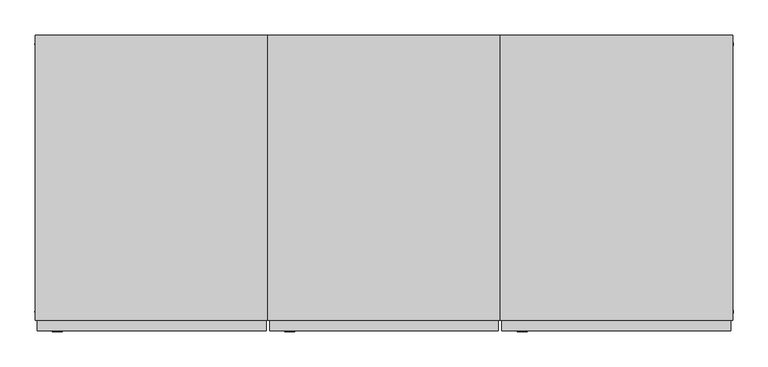
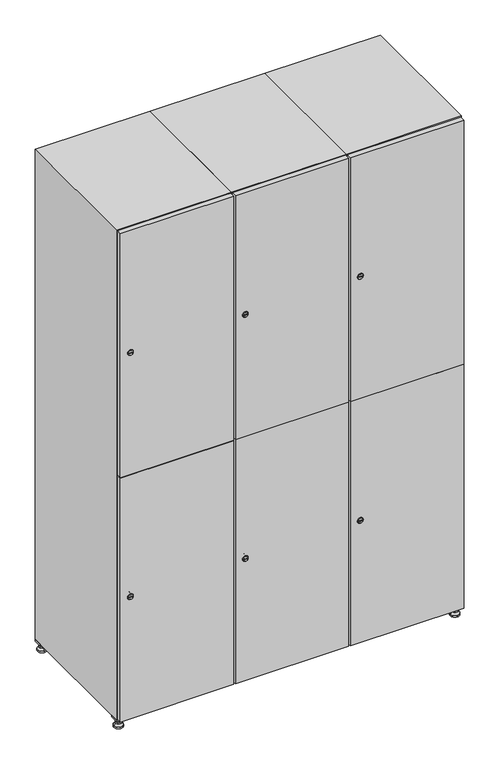
"""IFC4 building model written with IfcOpenShell, lengths in millimetres: furniture geometry."""

from ifc_helpers import new_model, si_unit, point, frame, frame_2d, origin, origin_with_axes, place, context, project, spatial, polyline, circle_curve, trimmed, segment, composite_curve, outline, extrude, faceted_brep, source, transform, mapped, element, save
from ifc_brep_helpers import plane_surface, revolved_surface, advanced_brep


def furniture_7798cbb1(model_context):
    return source(origin(), model_context, "Body", "SolidModel", [
        extrude(outline(polyline([(1000.0, 245.0), (1000.0, 215.0), (970.0, 215.0), (970.0, 245.0), (1000.0, 245.0)]), holes=[polyline([(998.0, 243.0), (972.0, 243.0), (972.0, 217.0), (998.0, 217.0), (998.0, 243.0)])]), frame((0.0, 0.0, 28.5), z_axis=(0.0, 0.0, 1.0), x_axis=(1.0, 0.0, 0.0)), (0.0, 0.0, 1.0), 6.5),
        extrude(outline(polyline([(970.0, -245.0), (970.0, -215.0), (1000.0, -215.0), (1000.0, -245.0), (970.0, -245.0)]), holes=[polyline([(972.0, -243.0), (998.0, -243.0), (998.0, -217.0), (972.0, -217.0), (972.0, -243.0)])]), frame((0.0, 0.0, 28.5), z_axis=(0.0, 0.0, 1.0), x_axis=(1.0, 0.0, 0.0)), (0.0, 0.0, 1.0), 6.5),
        extrude(outline(polyline([(-170.0, 245.0), (-170.0, 215.0), (-200.0, 215.0), (-200.0, 245.0), (-170.0, 245.0)]), holes=[polyline([(-172.0, 243.0), (-198.0, 243.0), (-198.0, 217.0), (-172.0, 217.0), (-172.0, 243.0)])]), frame((0.0, 0.0, 28.5), z_axis=(0.0, 0.0, 1.0), x_axis=(1.0, 0.0, 0.0)), (0.0, 0.0, 1.0), 6.5),
        extrude(outline(polyline([(-170.0, -215.0), (-170.0, -245.0), (-200.0, -245.0), (-200.0, -215.0), (-170.0, -215.0)]), holes=[polyline([(-198.0, -243.0), (-172.0, -243.0), (-172.0, -217.0), (-198.0, -217.0), (-198.0, -243.0)])]), frame((0.0, 0.0, 28.5), z_axis=(0.0, 0.0, 1.0), x_axis=(1.0, 0.0, 0.0)), (0.0, 0.0, 1.0), 6.5),
        extrude(outline(composite_curve([segment(trimmed(circle_curve(frame_2d((-185.0, 230.0)), 5.0), [point((-180.0, 230.0))], [point((-190.0, 230.0))], False, "CARTESIAN"), True, "CONTINUOUS"), segment(trimmed(circle_curve(frame_2d((-185.0, 230.0)), 5.0), [point((-190.0, 230.0))], [point((-180.0, 230.0))], False, "CARTESIAN"), True, "CONTINUOUS")], self_intersect=False)), frame((0.0, 0.0, 19.6), z_axis=(0.0, 0.0, 1.0), x_axis=(1.0, 0.0, 0.0)), (0.0, 0.0, 1.0), 15.4),
        extrude(outline(composite_curve([segment(trimmed(circle_curve(frame_2d((-185.0, -230.0)), 5.0), [point((-180.0, -230.0))], [point((-190.0, -230.0))], False, "CARTESIAN"), True, "CONTINUOUS"), segment(trimmed(circle_curve(frame_2d((-185.0, -230.0)), 5.0), [point((-190.0, -230.0))], [point((-180.0, -230.0))], False, "CARTESIAN"), True, "CONTINUOUS")], self_intersect=False)), frame((0.0, 0.0, 19.6), z_axis=(0.0, 0.0, 1.0), x_axis=(1.0, 0.0, 0.0)), (0.0, 0.0, 1.0), 15.4),
        extrude(outline(composite_curve([segment(trimmed(circle_curve(frame_2d((985.0, 230.0)), 5.0), [point((990.0, 230.0))], [point((980.0, 230.0))], False, "CARTESIAN"), True, "CONTINUOUS"), segment(trimmed(circle_curve(frame_2d((985.0, 230.0)), 5.0), [point((980.0, 230.0))], [point((990.0, 230.0))], False, "CARTESIAN"), True, "CONTINUOUS")], self_intersect=False)), frame((0.0, 0.0, 19.6), z_axis=(0.0, 0.0, 1.0), x_axis=(1.0, 0.0, 0.0)), (0.0, 0.0, 1.0), 15.4),
        extrude(outline(polyline([(973.4529946, 230.0), (979.2264973, 240.0), (990.7735027, 240.0), (996.5470054, 230.0), (990.7735027, 220.0), (979.2264973, 220.0), (973.4529946, 230.0)])), frame((0.0, 0.0, 13.6), z_axis=(0.0, 0.0, 1.0), x_axis=(1.0, 0.0, 0.0)), (0.0, 0.0, 1.0), 6.0),
        extrude(outline(composite_curve([segment(trimmed(circle_curve(frame_2d((985.0, -230.0)), 5.0), [point((990.0, -230.0))], [point((980.0, -230.0))], False, "CARTESIAN"), True, "CONTINUOUS"), segment(trimmed(circle_curve(frame_2d((985.0, -230.0)), 5.0), [point((980.0, -230.0))], [point((990.0, -230.0))], False, "CARTESIAN"), True, "CONTINUOUS")], self_intersect=False)), frame((0.0, 0.0, 19.6), z_axis=(0.0, 0.0, 1.0), x_axis=(1.0, 0.0, 0.0)), (0.0, 0.0, 1.0), 15.4),
        extrude(outline(polyline([(973.4529946, -230.0), (979.2264973, -220.0), (990.7735027, -220.0), (996.5470054, -230.0), (990.7735027, -240.0), (979.2264973, -240.0), (973.4529946, -230.0)])), frame((0.0, 0.0, 13.6), z_axis=(0.0, 0.0, 1.0), x_axis=(1.0, 0.0, 0.0)), (0.0, 0.0, 1.0), 6.0),
        extrude(outline(composite_curve([segment(trimmed(circle_curve(frame_2d((985.0, 230.0)), 5.0), [point((990.0, 230.0))], [point((980.0, 230.0))], False, "CARTESIAN"), True, "CONTINUOUS"), segment(trimmed(circle_curve(frame_2d((985.0, 230.0)), 5.0), [point((980.0, 230.0))], [point((990.0, 230.0))], False, "CARTESIAN"), True, "CONTINUOUS")], self_intersect=False)), frame((0.0, 0.0, 12.1), z_axis=(0.0, 0.0, 1.0), x_axis=(1.0, 0.0, 0.0)), (0.0, 0.0, 1.0), 1.5),
        extrude(outline(composite_curve([segment(trimmed(circle_curve(frame_2d((985.0, -230.0)), 5.0), [point((990.0, -230.0))], [point((980.0, -230.0))], False, "CARTESIAN"), True, "CONTINUOUS"), segment(trimmed(circle_curve(frame_2d((985.0, -230.0)), 5.0), [point((980.0, -230.0))], [point((990.0, -230.0))], False, "CARTESIAN"), True, "CONTINUOUS")], self_intersect=False)), frame((0.0, 0.0, 12.1), z_axis=(0.0, 0.0, 1.0), x_axis=(1.0, 0.0, 0.0)), (0.0, 0.0, 1.0), 1.5),
        extrude(outline(polyline([(-196.5470054, 230.0), (-190.7735027, 240.0), (-179.2264973, 240.0), (-173.4529946, 230.0), (-179.2264973, 220.0), (-190.7735027, 220.0), (-196.5470054, 230.0)])), frame((0.0, 0.0, 13.6), z_axis=(0.0, 0.0, 1.0), x_axis=(1.0, 0.0, 0.0)), (0.0, 0.0, 1.0), 6.0),
        extrude(outline(polyline([(-196.5470054, -230.0), (-190.7735027, -220.0), (-179.2264973, -220.0), (-173.4529946, -230.0), (-179.2264973, -240.0), (-190.7735027, -240.0), (-196.5470054, -230.0)])), frame((0.0, 0.0, 13.6), z_axis=(0.0, 0.0, 1.0), x_axis=(1.0, 0.0, 0.0)), (0.0, 0.0, 1.0), 6.0),
        extrude(outline(composite_curve([segment(trimmed(circle_curve(frame_2d((-185.0, 230.0)), 5.0), [point((-185.0, 235.0))], [point((-185.0, 225.0))], False, "CARTESIAN"), True, "CONTINUOUS"), segment(trimmed(circle_curve(frame_2d((-185.0, 230.0)), 5.0), [point((-185.0, 225.0))], [point((-185.0, 235.0))], False, "CARTESIAN"), True, "CONTINUOUS")], self_intersect=False)), frame((0.0, 0.0, 12.1), z_axis=(0.0, 0.0, 1.0), x_axis=(1.0, 0.0, 0.0)), (0.0, 0.0, 1.0), 1.5),
        extrude(outline(composite_curve([segment(trimmed(circle_curve(frame_2d((-185.0, -230.0)), 5.0), [point((-180.0, -230.0))], [point((-190.0, -230.0))], False, "CARTESIAN"), True, "CONTINUOUS"), segment(trimmed(circle_curve(frame_2d((-185.0, -230.0)), 5.0), [point((-190.0, -230.0))], [point((-180.0, -230.0))], False, "CARTESIAN"), True, "CONTINUOUS")], self_intersect=False)), frame((0.0, 0.0, 12.1), z_axis=(0.0, 0.0, 1.0), x_axis=(1.0, 0.0, 0.0)), (0.0, 0.0, 1.0), 1.5),
        extrude(outline(composite_curve([segment(trimmed(circle_curve(frame_2d((985.0, 230.0)), 15.75), [point((1000.75, 230.0))], [point((969.25, 230.0))], False, "CARTESIAN"), True, "CONTINUOUS"), segment(trimmed(circle_curve(frame_2d((985.0, 230.0)), 15.75), [point((969.25, 230.0))], [point((1000.75, 230.0))], False, "CARTESIAN"), True, "CONTINUOUS")], self_intersect=False)), origin_with_axes(), (0.0, 0.0, 1.0), 5.1),
        extrude(outline(composite_curve([segment(trimmed(circle_curve(frame_2d((985.0, -230.0)), 15.75), [point((985.0, -214.25))], [point((985.0, -245.75))], False, "CARTESIAN"), True, "CONTINUOUS"), segment(trimmed(circle_curve(frame_2d((985.0, -230.0)), 15.75), [point((985.0, -245.75))], [point((985.0, -214.25))], False, "CARTESIAN"), True, "CONTINUOUS")], self_intersect=False)), origin_with_axes(), (0.0, 0.0, 1.0), 5.1),
        extrude(outline(composite_curve([segment(trimmed(circle_curve(frame_2d((-185.0, -230.0)), 15.75), [point((-169.25, -230.0))], [point((-200.75, -230.0))], False, "CARTESIAN"), True, "CONTINUOUS"), segment(trimmed(circle_curve(frame_2d((-185.0, -230.0)), 15.75), [point((-200.75, -230.0))], [point((-169.25, -230.0))], False, "CARTESIAN"), True, "CONTINUOUS")], self_intersect=False)), origin_with_axes(), (0.0, 0.0, 1.0), 5.1),
        extrude(outline(composite_curve([segment(trimmed(circle_curve(frame_2d((-185.0, 230.0)), 15.75), [point((-169.25, 230.0))], [point((-200.75, 230.0))], False, "CARTESIAN"), True, "CONTINUOUS"), segment(trimmed(circle_curve(frame_2d((-185.0, 230.0)), 15.75), [point((-200.75, 230.0))], [point((-169.25, 230.0))], False, "CARTESIAN"), True, "CONTINUOUS")], self_intersect=False)), origin_with_axes(), (0.0, 0.0, 1.0), 5.1),
        advanced_brep(
        [(-185.0, 239.5, 12.1), (-185.0, 220.5, 12.1), (-185.0, 214.25, 5.1), (-185.0, 245.75, 5.1)],
        [
            (0, 1, circle_curve(frame((-185.0, 230.0, 12.1), z_axis=(0.0, 0.0, -1.0), x_axis=(0.0, 1.0, 0.0)), 9.5)),
            (1, 2),
            (2, 3, circle_curve(frame((-185.0, 230.0, 5.1), z_axis=(0.0, 0.0, 1.0), x_axis=(0.0, 1.0, 0.0)), 15.75)),
            (3, 0),
            (1, 0, circle_curve(frame((-185.0, 230.0, 12.1), z_axis=(0.0, 0.0, -1.0), x_axis=(0.0, -1.0, 0.0)), 9.5)),
            (3, 2, circle_curve(frame((-185.0, 230.0, 5.1), z_axis=(0.0, 0.0, 1.0), x_axis=(0.0, -1.0, 0.0)), 15.75)),
        ],
        [
            revolved_surface(polyline([(-185.0, 220.5, 12.099999999999998), (-185.0, 214.25, 5.099999999999998)]), (-185.0, 230.0, 22.74), (0.0, 0.0, -1.0)),
            revolved_surface(polyline([(-185.0, 239.5, 12.099999999999998), (-185.0, 245.75, 5.099999999999998)]), (-185.0, 230.0, 22.74), (0.0, 0.0, -1.0)),
            plane_surface(frame((-185.0, 230.0, 5.1), z_axis=(0.0, 0.0, -1.0), x_axis=(1.0, 0.0, 0.0))),
            plane_surface(frame((-185.0, 230.0, 12.1), z_axis=(0.0, 0.0, 1.0), x_axis=(1.0, 0.0, 0.0))),
        ],
        [
            (0, [[1, 2, 3, 4]]),
            (1, [[5, -4, 6, -2]]),
            (2, [[-3, -6]]),
            (3, [[-5, -1]]),
        ],
    ),
        advanced_brep(
        [(985.0, 239.5, 12.1), (985.0, 220.5, 12.1), (985.0, 214.25, 5.1), (985.0, 245.75, 5.1)],
        [
            (0, 1, circle_curve(frame((985.0, 230.0, 12.1), z_axis=(0.0, 0.0, -1.0), x_axis=(0.0, 1.0, 0.0)), 9.5)),
            (1, 2),
            (2, 3, circle_curve(frame((985.0, 230.0, 5.1), z_axis=(0.0, 0.0, 1.0), x_axis=(0.0, 1.0, 0.0)), 15.75)),
            (3, 0),
            (1, 0, circle_curve(frame((985.0, 230.0, 12.1), z_axis=(0.0, 0.0, -1.0), x_axis=(0.0, -1.0, 0.0)), 9.5)),
            (3, 2, circle_curve(frame((985.0, 230.0, 5.1), z_axis=(0.0, 0.0, 1.0), x_axis=(0.0, -1.0, 0.0)), 15.75)),
        ],
        [
            revolved_surface(polyline([(985.0, 220.5, 12.099999999999998), (985.0, 214.25, 5.099999999999998)]), (985.0, 230.0, 22.74), (0.0, 0.0, -1.0)),
            revolved_surface(polyline([(985.0, 239.5, 12.099999999999998), (985.0, 245.75, 5.099999999999998)]), (985.0, 230.0, 22.74), (0.0, 0.0, -1.0)),
            plane_surface(frame((985.0, 230.0, 5.1), z_axis=(0.0, 0.0, -1.0), x_axis=(1.0, 0.0, 0.0))),
            plane_surface(frame((985.0, 230.0, 12.1), z_axis=(0.0, 0.0, 1.0), x_axis=(1.0, 0.0, 0.0))),
        ],
        [
            (0, [[1, 2, 3, 4]]),
            (1, [[5, -4, 6, -2]]),
            (2, [[-3, -6]]),
            (3, [[-5, -1]]),
        ],
    ),
        advanced_brep(
        [(1000.75, -230.0, 5.1), (969.25, -230.0, 5.1), (975.5, -230.0, 12.1), (994.5, -230.0, 12.1)],
        [
            (0, 1, circle_curve(frame((985.0, -230.0, 5.1), z_axis=(0.0, 0.0, 1.0), x_axis=(1.0, 0.0, 0.0)), 15.75)),
            (1, 2),
            (2, 3, circle_curve(frame((985.0, -230.0, 12.1), z_axis=(0.0, 0.0, -1.0), x_axis=(1.0, 0.0, 0.0)), 9.5)),
            (3, 0),
            (1, 0, circle_curve(frame((985.0, -230.0, 5.1), z_axis=(0.0, 0.0, 1.0), x_axis=(-1.0, 0.0, 0.0)), 15.75)),
            (3, 2, circle_curve(frame((985.0, -230.0, 12.1), z_axis=(0.0, 0.0, -1.0), x_axis=(-1.0, 0.0, 0.0)), 9.5)),
        ],
        [
            revolved_surface(polyline([(994.5, -230.0, 12.099999999999998), (1000.75, -230.0, 5.099999999999998)]), (985.0, -230.0, 22.74), (0.0, 0.0, -1.0)),
            revolved_surface(polyline([(975.5, -230.0, 12.099999999999998), (969.25, -230.0, 5.099999999999998)]), (985.0, -230.0, 22.74), (0.0, 0.0, -1.0)),
            plane_surface(frame((985.0, -230.0, 12.1), z_axis=(0.0, 0.0, 1.0), x_axis=(0.0, 1.0, 0.0))),
            plane_surface(frame((985.0, -230.0, 5.1), z_axis=(0.0, 0.0, -1.0), x_axis=(0.0, 1.0, 0.0))),
        ],
        [
            (0, [[1, 2, 3, 4]]),
            (1, [[5, -4, 6, -2]]),
            (2, [[-3, -6]]),
            (3, [[-5, -1]]),
        ],
    ),
        advanced_brep(
        [(-169.25, -230.0, 5.1), (-200.75, -230.0, 5.1), (-194.5, -230.0, 12.1), (-175.5, -230.0, 12.1)],
        [
            (0, 1, circle_curve(frame((-185.0, -230.0, 5.1), z_axis=(0.0, 0.0, 1.0), x_axis=(1.0, 0.0, 0.0)), 15.75)),
            (1, 2),
            (2, 3, circle_curve(frame((-185.0, -230.0, 12.1), z_axis=(0.0, 0.0, -1.0), x_axis=(1.0, 0.0, 0.0)), 9.5)),
            (3, 0),
            (1, 0, circle_curve(frame((-185.0, -230.0, 5.1), z_axis=(0.0, 0.0, 1.0), x_axis=(-1.0, 0.0, 0.0)), 15.75)),
            (3, 2, circle_curve(frame((-185.0, -230.0, 12.1), z_axis=(0.0, 0.0, -1.0), x_axis=(-1.0, 0.0, 0.0)), 9.5)),
        ],
        [
            revolved_surface(polyline([(-175.5, -230.0, 12.099999999999998), (-169.25, -230.0, 5.099999999999998)]), (-185.0, -230.0, 22.74), (0.0, 0.0, -1.0)),
            revolved_surface(polyline([(-194.5, -230.0, 12.099999999999998), (-200.75, -230.0, 5.099999999999998)]), (-185.0, -230.0, 22.74), (0.0, 0.0, -1.0)),
            plane_surface(frame((-185.0, -230.0, 12.1), z_axis=(0.0, 0.0, 1.0), x_axis=(0.0, 1.0, 0.0))),
            plane_surface(frame((-185.0, -230.0, 5.1), z_axis=(0.0, 0.0, -1.0), x_axis=(0.0, 1.0, 0.0))),
        ],
        [
            (0, [[1, 2, 3, 4]]),
            (1, [[5, -4, 6, -2]]),
            (2, [[-3, -6]]),
            (3, [[-5, -1]]),
        ],
    ),
        extrude(outline(composite_curve([segment(trimmed(circle_curve(frame_2d((486.5, 611.2010534)), 7.0), [point((493.5, 611.2010534))], [point((479.5, 611.2010534))], False, "CARTESIAN"), True, "CONTINUOUS"), segment(polyline([(479.5, 611.2010534), (479.5, 639.2010534)]), True, "CONTINUOUS"), segment(trimmed(circle_curve(frame_2d((486.5, 639.2010534)), 7.0), [point((479.5, 639.2010534))], [point((493.5, 639.2010534))], False, "CARTESIAN"), True, "CONTINUOUS"), segment(polyline([(493.5, 639.2010534), (493.5, 611.2010534)]), True, "CONTINUOUS")], self_intersect=False)), frame((0.0, -245.0, 0.0), z_axis=(0.0, 1.0, 0.0), x_axis=(0.0, 0.0, 1.0)), (0.0, 0.0, 1.0), 2.0),
        advanced_brep(
        [(646.5, -265.2, 486.5), (629.5, -265.2, 486.5), (633.0, -265.2, 485.25), (633.0, -265.2, 487.75), (643.0, -265.2, 487.75), (643.0, -265.2, 485.25), (648.5, -263.0, 486.5), (627.5, -263.0, 486.5), (633.0, -263.0, 487.75), (633.0, -263.0, 485.25), (643.0, -263.0, 485.25), (643.0, -263.0, 487.75)],
        [
            (0, 1, circle_curve(frame((638.0, -265.2, 486.5), z_axis=(0.0, -1.0, 0.0), x_axis=(1.0, 0.0, 0.0)), 8.5)),
            (1, 0, circle_curve(frame((638.0, -265.2, 486.5), z_axis=(0.0, -1.0, 0.0), x_axis=(-1.0, 0.0, 0.0)), 8.5)),
            (2, 3),
            (3, 4),
            (4, 5),
            (5, 2),
            (6, 7, circle_curve(frame((638.0, -263.0, 486.5), z_axis=(0.0, 1.0, 0.0), x_axis=(-1.0, 0.0, 0.0)), 10.5)),
            (7, 6, circle_curve(frame((638.0, -263.0, 486.5), z_axis=(0.0, 1.0, 0.0), x_axis=(1.0, 0.0, 0.0)), 10.5)),
            (8, 9),
            (9, 10),
            (10, 11),
            (11, 8),
            (0, 6),
            (7, 1),
            (8, 3),
            (2, 9),
            (11, 4),
            (10, 5),
        ],
        [
            plane_surface(frame((638.0, -265.2, 486.5), z_axis=(0.0, -1.0, 0.0), x_axis=(0.0, 0.0, 1.0))),
            plane_surface(frame((638.0, -263.0, 486.5), z_axis=(0.0, 1.0, 0.0), x_axis=(0.0, 0.0, 1.0))),
            revolved_surface(polyline([(646.5, -265.2, 486.5), (648.5, -263.0, 486.5)]), (638.0, -274.55, 486.5), (0.0, 1.0, 0.0)),
            revolved_surface(polyline([(629.5, -265.2, 486.5), (627.5, -263.0, 486.5)]), (638.0, -274.55, 486.5), (0.0, 1.0, 0.0)),
            plane_surface(frame((633.0, -263.0, 485.25), z_axis=(1.0, 0.0, 0.0), x_axis=(0.0, -1.0, 0.0))),
            plane_surface(frame((633.0, -263.0, 487.75), z_axis=(0.0, 0.0, -1.0), x_axis=(0.0, -1.0, 0.0))),
            plane_surface(frame((643.0, -263.0, 487.75), z_axis=(-1.0, 0.0, 0.0), x_axis=(0.0, -1.0, 0.0))),
            plane_surface(frame((643.0, -263.0, 485.25), z_axis=(0.0, 0.0, 1.0), x_axis=(0.0, -1.0, 0.0))),
        ],
        [
            (0, [[1, 2], [3, 4, 5, 6]]),
            (1, [[7, 8], [9, 10, 11, 12]]),
            (2, [[-1, 13, -8, 14]]),
            (3, [[-2, -14, -7, -13]]),
            (4, [[15, -3, 16, -9]]),
            (5, [[-15, -12, 17, -4]]),
            (6, [[-17, -11, 18, -5]]),
            (7, [[-16, -6, -18, -10]]),
        ],
    ),
        extrude(outline(composite_curve([segment(trimmed(circle_curve(frame_2d((1383.5, 611.2010534)), 7.0), [point((1390.5, 611.2010534))], [point((1376.5, 611.2010534))], False, "CARTESIAN"), True, "CONTINUOUS"), segment(polyline([(1376.5, 611.2010534), (1376.5, 639.2010534)]), True, "CONTINUOUS"), segment(trimmed(circle_curve(frame_2d((1383.5, 639.2010534)), 7.0), [point((1376.5, 639.2010534))], [point((1390.5, 639.2010534))], False, "CARTESIAN"), True, "CONTINUOUS"), segment(polyline([(1390.5, 639.2010534), (1390.5, 611.2010534)]), True, "CONTINUOUS")], self_intersect=False)), frame((0.0, -245.0, 0.0), z_axis=(0.0, 1.0, 0.0), x_axis=(0.0, 0.0, 1.0)), (0.0, 0.0, 1.0), 2.0),
        advanced_brep(
        [(646.5, -265.2, 1383.5), (629.5, -265.2, 1383.5), (633.0, -265.2, 1382.25), (633.0, -265.2, 1384.75), (643.0, -265.2, 1384.75), (643.0, -265.2, 1382.25), (648.5, -263.0, 1383.5), (627.5, -263.0, 1383.5), (633.0, -263.0, 1384.75), (633.0, -263.0, 1382.25), (643.0, -263.0, 1382.25), (643.0, -263.0, 1384.75)],
        [
            (0, 1, circle_curve(frame((638.0, -265.2, 1383.5), z_axis=(0.0, -1.0, 0.0), x_axis=(1.0, 0.0, 0.0)), 8.5)),
            (1, 0, circle_curve(frame((638.0, -265.2, 1383.5), z_axis=(0.0, -1.0, 0.0), x_axis=(-1.0, 0.0, 0.0)), 8.5)),
            (2, 3),
            (3, 4),
            (4, 5),
            (5, 2),
            (6, 7, circle_curve(frame((638.0, -263.0, 1383.5), z_axis=(0.0, 1.0, 0.0), x_axis=(-1.0, 0.0, 0.0)), 10.5)),
            (7, 6, circle_curve(frame((638.0, -263.0, 1383.5), z_axis=(0.0, 1.0, 0.0), x_axis=(1.0, 0.0, 0.0)), 10.5)),
            (8, 9),
            (9, 10),
            (10, 11),
            (11, 8),
            (0, 6),
            (7, 1),
            (8, 3),
            (2, 9),
            (11, 4),
            (10, 5),
        ],
        [
            plane_surface(frame((638.0, -265.2, 1383.5), z_axis=(0.0, -1.0, 0.0), x_axis=(0.0, 0.0, 1.0))),
            plane_surface(frame((638.0, -263.0, 1383.5), z_axis=(0.0, 1.0, 0.0), x_axis=(0.0, 0.0, 1.0))),
            revolved_surface(polyline([(646.5, -265.2, 1383.5), (648.5, -263.0, 1383.5)]), (638.0, -274.55, 1383.5), (0.0, 1.0, 0.0)),
            revolved_surface(polyline([(629.5, -265.2, 1383.5), (627.5, -263.0, 1383.5)]), (638.0, -274.55, 1383.5), (0.0, 1.0, 0.0)),
            plane_surface(frame((633.0, -263.0, 1382.25), z_axis=(1.0, 0.0, 0.0), x_axis=(0.0, -1.0, 0.0))),
            plane_surface(frame((633.0, -263.0, 1384.75), z_axis=(0.0, 0.0, -1.0), x_axis=(0.0, -1.0, 0.0))),
            plane_surface(frame((643.0, -263.0, 1384.75), z_axis=(-1.0, 0.0, 0.0), x_axis=(0.0, -1.0, 0.0))),
            plane_surface(frame((643.0, -263.0, 1382.25), z_axis=(0.0, 0.0, 1.0), x_axis=(0.0, -1.0, 0.0))),
        ],
        [
            (0, [[1, 2], [3, 4, 5, 6]]),
            (1, [[7, 8], [9, 10, 11, 12]]),
            (2, [[-1, 13, -8, 14]]),
            (3, [[-2, -14, -7, -13]]),
            (4, [[15, -3, 16, -9]]),
            (5, [[-15, -12, 17, -4]]),
            (6, [[-17, -11, 18, -5]]),
            (7, [[-16, -6, -18, -10]]),
        ],
    ),
        extrude(outline(polyline([(603.0, -263.0), (603.0, -245.0), (997.0, -245.0), (997.0, -263.0), (603.0, -263.0)])), frame((0.0, 0.0, 38.0), z_axis=(0.0, 0.0, 1.0), x_axis=(1.0, 0.0, 0.0)), (0.0, 0.0, 1.0), 896.5),
        extrude(outline(polyline([(997.0, -245.0), (997.0, -263.0), (603.0, -263.0), (603.0, -245.0), (997.0, -245.0)])), frame((0.0, 0.0, 935.5), z_axis=(0.0, 0.0, 1.0), x_axis=(1.0, 0.0, 0.0)), (0.0, 0.0, 1.0), 896.5),
        extrude(outline(polyline([(979.6, 242.0), (979.6, -227.0), (620.4, -227.0), (620.4, 242.0), (979.6, 242.0)])), frame((0.0, 0.0, 924.8), z_axis=(0.0, 0.0, 1.0), x_axis=(1.0, 0.0, 0.0)), (0.0, 0.0, 1.0), 20.4),
        faceted_brep([(1000.0, -245.0, 35.0), (1000.0, -245.0, 1835.0), (600.0, -245.0, 1835.0), (600.0, -245.0, 35.0), (979.6, -245.0, 1804.8), (979.6, -245.0, 65.2), (620.4, -245.0, 65.2), (620.4, -245.0, 1804.8), (1000.0, 245.0, 35.0), (600.0, 245.0, 35.0), (1000.0, 245.0, 1835.0), (600.0, 245.0, 1835.0), (979.6, 242.0, 1804.8), (979.6, 242.0, 65.2), (600.0, 245.0, 1804.8), (620.4, 242.0, 1804.8), (620.4, 242.0, 65.2)], [[[0, 1, 2, 3], [4, 5, 6, 7]], [[8, 0, 3, 9]], [[1, 0, 8, 10]], [[1, 10, 11, 2]], [[4, 12, 13, 5]], [[9, 3, 2, 11, 14]], [[10, 8, 9, 14, 11]], [[12, 15, 16, 13]], [[15, 7, 6, 16]], [[4, 7, 15, 12]], [[6, 5, 13, 16]]]),
        extrude(outline(composite_curve([segment(trimmed(circle_curve(frame_2d((486.5, 211.2010534)), 7.0), [point((493.5, 211.2010534))], [point((479.5, 211.2010534))], False, "CARTESIAN"), True, "CONTINUOUS"), segment(polyline([(479.5, 211.2010534), (479.5, 239.2010534)]), True, "CONTINUOUS"), segment(trimmed(circle_curve(frame_2d((486.5, 239.2010534)), 7.0), [point((479.5, 239.2010534))], [point((493.5, 239.2010534))], False, "CARTESIAN"), True, "CONTINUOUS"), segment(polyline([(493.5, 239.2010534), (493.5, 211.2010534)]), True, "CONTINUOUS")], self_intersect=False)), frame((0.0, -245.0, 0.0), z_axis=(0.0, 1.0, 0.0), x_axis=(0.0, 0.0, 1.0)), (0.0, 0.0, 1.0), 2.0),
        advanced_brep(
        [(246.5, -265.2, 486.5), (229.5, -265.2, 486.5), (233.0, -265.2, 485.25), (233.0, -265.2, 487.75), (243.0, -265.2, 487.75), (243.0, -265.2, 485.25), (248.5, -263.0, 486.5), (227.5, -263.0, 486.5), (233.0, -263.0, 487.75), (233.0, -263.0, 485.25), (243.0, -263.0, 485.25), (243.0, -263.0, 487.75)],
        [
            (0, 1, circle_curve(frame((238.0, -265.2, 486.5), z_axis=(0.0, -1.0, 0.0), x_axis=(1.0, 0.0, 0.0)), 8.5)),
            (1, 0, circle_curve(frame((238.0, -265.2, 486.5), z_axis=(0.0, -1.0, 0.0), x_axis=(-1.0, 0.0, 0.0)), 8.5)),
            (2, 3),
            (3, 4),
            (4, 5),
            (5, 2),
            (6, 7, circle_curve(frame((238.0, -263.0, 486.5), z_axis=(0.0, 1.0, 0.0), x_axis=(-1.0, 0.0, 0.0)), 10.5)),
            (7, 6, circle_curve(frame((238.0, -263.0, 486.5), z_axis=(0.0, 1.0, 0.0), x_axis=(1.0, 0.0, 0.0)), 10.5)),
            (8, 9),
            (9, 10),
            (10, 11),
            (11, 8),
            (0, 6),
            (7, 1),
            (8, 3),
            (2, 9),
            (11, 4),
            (10, 5),
        ],
        [
            plane_surface(frame((238.0, -265.2, 486.5), z_axis=(0.0, -1.0, 0.0), x_axis=(0.0, 0.0, 1.0))),
            plane_surface(frame((238.0, -263.0, 486.5), z_axis=(0.0, 1.0, 0.0), x_axis=(0.0, 0.0, 1.0))),
            revolved_surface(polyline([(246.5, -265.2, 486.5), (248.5, -263.0, 486.5)]), (238.0, -274.55, 486.5), (0.0, 1.0, 0.0)),
            revolved_surface(polyline([(229.5, -265.2, 486.5), (227.5, -263.0, 486.5)]), (238.0, -274.55, 486.5), (0.0, 1.0, 0.0)),
            plane_surface(frame((233.0, -263.0, 485.25), z_axis=(1.0, 0.0, 0.0), x_axis=(0.0, -1.0, 0.0))),
            plane_surface(frame((233.0, -263.0, 487.75), z_axis=(0.0, 0.0, -1.0), x_axis=(0.0, -1.0, 0.0))),
            plane_surface(frame((243.0, -263.0, 487.75), z_axis=(-1.0, 0.0, 0.0), x_axis=(0.0, -1.0, 0.0))),
            plane_surface(frame((243.0, -263.0, 485.25), z_axis=(0.0, 0.0, 1.0), x_axis=(0.0, -1.0, 0.0))),
        ],
        [
            (0, [[1, 2], [3, 4, 5, 6]]),
            (1, [[7, 8], [9, 10, 11, 12]]),
            (2, [[-1, 13, -8, 14]]),
            (3, [[-2, -14, -7, -13]]),
            (4, [[15, -3, 16, -9]]),
            (5, [[-15, -12, 17, -4]]),
            (6, [[-17, -11, 18, -5]]),
            (7, [[-16, -6, -18, -10]]),
        ],
    ),
        extrude(outline(composite_curve([segment(trimmed(circle_curve(frame_2d((1383.5, 211.2010534)), 7.0), [point((1390.5, 211.2010534))], [point((1376.5, 211.2010534))], False, "CARTESIAN"), True, "CONTINUOUS"), segment(polyline([(1376.5, 211.2010534), (1376.5, 239.2010534)]), True, "CONTINUOUS"), segment(trimmed(circle_curve(frame_2d((1383.5, 239.2010534)), 7.0), [point((1376.5, 239.2010534))], [point((1390.5, 239.2010534))], False, "CARTESIAN"), True, "CONTINUOUS"), segment(polyline([(1390.5, 239.2010534), (1390.5, 211.2010534)]), True, "CONTINUOUS")], self_intersect=False)), frame((0.0, -245.0, 0.0), z_axis=(0.0, 1.0, 0.0), x_axis=(0.0, 0.0, 1.0)), (0.0, 0.0, 1.0), 2.0),
        advanced_brep(
        [(246.5, -265.2, 1383.5), (229.5, -265.2, 1383.5), (233.0, -265.2, 1382.25), (233.0, -265.2, 1384.75), (243.0, -265.2, 1384.75), (243.0, -265.2, 1382.25), (248.5, -263.0, 1383.5), (227.5, -263.0, 1383.5), (233.0, -263.0, 1384.75), (233.0, -263.0, 1382.25), (243.0, -263.0, 1382.25), (243.0, -263.0, 1384.75)],
        [
            (0, 1, circle_curve(frame((238.0, -265.2, 1383.5), z_axis=(0.0, -1.0, 0.0), x_axis=(1.0, 0.0, 0.0)), 8.5)),
            (1, 0, circle_curve(frame((238.0, -265.2, 1383.5), z_axis=(0.0, -1.0, 0.0), x_axis=(-1.0, 0.0, 0.0)), 8.5)),
            (2, 3),
            (3, 4),
            (4, 5),
            (5, 2),
            (6, 7, circle_curve(frame((238.0, -263.0, 1383.5), z_axis=(0.0, 1.0, 0.0), x_axis=(-1.0, 0.0, 0.0)), 10.5)),
            (7, 6, circle_curve(frame((238.0, -263.0, 1383.5), z_axis=(0.0, 1.0, 0.0), x_axis=(1.0, 0.0, 0.0)), 10.5)),
            (8, 9),
            (9, 10),
            (10, 11),
            (11, 8),
            (0, 6),
            (7, 1),
            (8, 3),
            (2, 9),
            (11, 4),
            (10, 5),
        ],
        [
            plane_surface(frame((238.0, -265.2, 1383.5), z_axis=(0.0, -1.0, 0.0), x_axis=(0.0, 0.0, 1.0))),
            plane_surface(frame((238.0, -263.0, 1383.5), z_axis=(0.0, 1.0, 0.0), x_axis=(0.0, 0.0, 1.0))),
            revolved_surface(polyline([(246.5, -265.2, 1383.5), (248.5, -263.0, 1383.5)]), (238.0, -274.55, 1383.5), (0.0, 1.0, 0.0)),
            revolved_surface(polyline([(229.5, -265.2, 1383.5), (227.5, -263.0, 1383.5)]), (238.0, -274.55, 1383.5), (0.0, 1.0, 0.0)),
            plane_surface(frame((233.0, -263.0, 1382.25), z_axis=(1.0, 0.0, 0.0), x_axis=(0.0, -1.0, 0.0))),
            plane_surface(frame((233.0, -263.0, 1384.75), z_axis=(0.0, 0.0, -1.0), x_axis=(0.0, -1.0, 0.0))),
            plane_surface(frame((243.0, -263.0, 1384.75), z_axis=(-1.0, 0.0, 0.0), x_axis=(0.0, -1.0, 0.0))),
            plane_surface(frame((243.0, -263.0, 1382.25), z_axis=(0.0, 0.0, 1.0), x_axis=(0.0, -1.0, 0.0))),
        ],
        [
            (0, [[1, 2], [3, 4, 5, 6]]),
            (1, [[7, 8], [9, 10, 11, 12]]),
            (2, [[-1, 13, -8, 14]]),
            (3, [[-2, -14, -7, -13]]),
            (4, [[15, -3, 16, -9]]),
            (5, [[-15, -12, 17, -4]]),
            (6, [[-17, -11, 18, -5]]),
            (7, [[-16, -6, -18, -10]]),
        ],
    ),
        extrude(outline(polyline([(203.0, -263.0), (203.0, -245.0), (597.0, -245.0), (597.0, -263.0), (203.0, -263.0)])), frame((0.0, 0.0, 38.0), z_axis=(0.0, 0.0, 1.0), x_axis=(1.0, 0.0, 0.0)), (0.0, 0.0, 1.0), 896.5),
        extrude(outline(polyline([(597.0, -245.0), (597.0, -263.0), (203.0, -263.0), (203.0, -245.0), (597.0, -245.0)])), frame((0.0, 0.0, 935.5), z_axis=(0.0, 0.0, 1.0), x_axis=(1.0, 0.0, 0.0)), (0.0, 0.0, 1.0), 896.5),
        extrude(outline(polyline([(579.6, 242.0), (579.6, -227.0), (220.4, -227.0), (220.4, 242.0), (579.6, 242.0)])), frame((0.0, 0.0, 924.8), z_axis=(0.0, 0.0, 1.0), x_axis=(1.0, 0.0, 0.0)), (0.0, 0.0, 1.0), 20.4),
        faceted_brep([(600.0, -245.0, 35.0), (600.0, -245.0, 1835.0), (200.0, -245.0, 1835.0), (200.0, -245.0, 35.0), (579.6, -245.0, 1804.8), (579.6, -245.0, 65.2), (220.4, -245.0, 65.2), (220.4, -245.0, 1804.8), (600.0, 245.0, 35.0), (200.0, 245.0, 35.0), (600.0, 245.0, 1835.0), (200.0, 245.0, 1835.0), (579.6, 242.0, 1804.8), (579.6, 242.0, 65.2), (200.0, 245.0, 1804.8), (220.4, 242.0, 1804.8), (220.4, 242.0, 65.2)], [[[0, 1, 2, 3], [4, 5, 6, 7]], [[8, 0, 3, 9]], [[1, 0, 8, 10]], [[1, 10, 11, 2]], [[4, 12, 13, 5]], [[9, 3, 2, 11, 14]], [[10, 8, 9, 14, 11]], [[12, 15, 16, 13]], [[15, 7, 6, 16]], [[4, 7, 15, 12]], [[6, 5, 13, 16]]]),
        extrude(outline(composite_curve([segment(trimmed(circle_curve(frame_2d((486.5, -188.7989466)), 7.0), [point((493.5, -188.7989466))], [point((479.5, -188.7989466))], False, "CARTESIAN"), True, "CONTINUOUS"), segment(polyline([(479.5, -188.7989466), (479.5, -160.7989466)]), True, "CONTINUOUS"), segment(trimmed(circle_curve(frame_2d((486.5, -160.7989466)), 7.0), [point((479.5, -160.7989466))], [point((493.5, -160.7989466))], False, "CARTESIAN"), True, "CONTINUOUS"), segment(polyline([(493.5, -160.7989466), (493.5, -188.7989466)]), True, "CONTINUOUS")], self_intersect=False)), frame((0.0, -245.0, 0.0), z_axis=(0.0, 1.0, 0.0), x_axis=(0.0, 0.0, 1.0)), (0.0, 0.0, 1.0), 2.0),
        advanced_brep(
        [(-153.5, -265.2, 486.5), (-170.5, -265.2, 486.5), (-167.0, -265.2, 485.25), (-167.0, -265.2, 487.75), (-157.0, -265.2, 487.75), (-157.0, -265.2, 485.25), (-151.5, -263.0, 486.5), (-172.5, -263.0, 486.5), (-167.0, -263.0, 487.75), (-167.0, -263.0, 485.25), (-157.0, -263.0, 485.25), (-157.0, -263.0, 487.75)],
        [
            (0, 1, circle_curve(frame((-162.0, -265.2, 486.5), z_axis=(0.0, -1.0, 0.0), x_axis=(1.0, 0.0, 0.0)), 8.5)),
            (1, 0, circle_curve(frame((-162.0, -265.2, 486.5), z_axis=(0.0, -1.0, 0.0), x_axis=(-1.0, 0.0, 0.0)), 8.5)),
            (2, 3),
            (3, 4),
            (4, 5),
            (5, 2),
            (6, 7, circle_curve(frame((-162.0, -263.0, 486.5), z_axis=(0.0, 1.0, 0.0), x_axis=(-1.0, 0.0, 0.0)), 10.5)),
            (7, 6, circle_curve(frame((-162.0, -263.0, 486.5), z_axis=(0.0, 1.0, 0.0), x_axis=(1.0, 0.0, 0.0)), 10.5)),
            (8, 9),
            (9, 10),
            (10, 11),
            (11, 8),
            (0, 6),
            (7, 1),
            (8, 3),
            (2, 9),
            (11, 4),
            (10, 5),
        ],
        [
            plane_surface(frame((-162.0, -265.2, 486.5), z_axis=(0.0, -1.0, 0.0), x_axis=(0.0, 0.0, 1.0))),
            plane_surface(frame((-162.0, -263.0, 486.5), z_axis=(0.0, 1.0, 0.0), x_axis=(0.0, 0.0, 1.0))),
            revolved_surface(polyline([(-153.5, -265.2, 486.5), (-151.5, -263.0, 486.5)]), (-162.0, -274.55, 486.5), (0.0, 1.0, 0.0)),
            revolved_surface(polyline([(-170.5, -265.2, 486.5), (-172.5, -263.0, 486.5)]), (-162.0, -274.55, 486.5), (0.0, 1.0, 0.0)),
            plane_surface(frame((-167.0, -263.0, 485.25), z_axis=(1.0, 0.0, 0.0), x_axis=(0.0, -1.0, 0.0))),
            plane_surface(frame((-167.0, -263.0, 487.75), z_axis=(0.0, 0.0, -1.0), x_axis=(0.0, -1.0, 0.0))),
            plane_surface(frame((-157.0, -263.0, 487.75), z_axis=(-1.0, 0.0, 0.0), x_axis=(0.0, -1.0, 0.0))),
            plane_surface(frame((-157.0, -263.0, 485.25), z_axis=(0.0, 0.0, 1.0), x_axis=(0.0, -1.0, 0.0))),
        ],
        [
            (0, [[1, 2], [3, 4, 5, 6]]),
            (1, [[7, 8], [9, 10, 11, 12]]),
            (2, [[-1, 13, -8, 14]]),
            (3, [[-2, -14, -7, -13]]),
            (4, [[15, -3, 16, -9]]),
            (5, [[-15, -12, 17, -4]]),
            (6, [[-17, -11, 18, -5]]),
            (7, [[-16, -6, -18, -10]]),
        ],
    ),
        extrude(outline(composite_curve([segment(trimmed(circle_curve(frame_2d((1383.5, -188.7989466)), 7.0), [point((1390.5, -188.7989466))], [point((1376.5, -188.7989466))], False, "CARTESIAN"), True, "CONTINUOUS"), segment(polyline([(1376.5, -188.7989466), (1376.5, -160.7989466)]), True, "CONTINUOUS"), segment(trimmed(circle_curve(frame_2d((1383.5, -160.7989466)), 7.0), [point((1376.5, -160.7989466))], [point((1390.5, -160.7989466))], False, "CARTESIAN"), True, "CONTINUOUS"), segment(polyline([(1390.5, -160.7989466), (1390.5, -188.7989466)]), True, "CONTINUOUS")], self_intersect=False)), frame((0.0, -245.0, 0.0), z_axis=(0.0, 1.0, 0.0), x_axis=(0.0, 0.0, 1.0)), (0.0, 0.0, 1.0), 2.0),
        advanced_brep(
        [(-153.5, -265.2, 1383.5), (-170.5, -265.2, 1383.5), (-167.0, -265.2, 1382.25), (-167.0, -265.2, 1384.75), (-157.0, -265.2, 1384.75), (-157.0, -265.2, 1382.25), (-151.5, -263.0, 1383.5), (-172.5, -263.0, 1383.5), (-167.0, -263.0, 1384.75), (-167.0, -263.0, 1382.25), (-157.0, -263.0, 1382.25), (-157.0, -263.0, 1384.75)],
        [
            (0, 1, circle_curve(frame((-162.0, -265.2, 1383.5), z_axis=(0.0, -1.0, 0.0), x_axis=(1.0, 0.0, 0.0)), 8.5)),
            (1, 0, circle_curve(frame((-162.0, -265.2, 1383.5), z_axis=(0.0, -1.0, 0.0), x_axis=(-1.0, 0.0, 0.0)), 8.5)),
            (2, 3),
            (3, 4),
            (4, 5),
            (5, 2),
            (6, 7, circle_curve(frame((-162.0, -263.0, 1383.5), z_axis=(0.0, 1.0, 0.0), x_axis=(-1.0, 0.0, 0.0)), 10.5)),
            (7, 6, circle_curve(frame((-162.0, -263.0, 1383.5), z_axis=(0.0, 1.0, 0.0), x_axis=(1.0, 0.0, 0.0)), 10.5)),
            (8, 9),
            (9, 10),
            (10, 11),
            (11, 8),
            (0, 6),
            (7, 1),
            (8, 3),
            (2, 9),
            (11, 4),
            (10, 5),
        ],
        [
            plane_surface(frame((-162.0, -265.2, 1383.5), z_axis=(0.0, -1.0, 0.0), x_axis=(0.0, 0.0, 1.0))),
            plane_surface(frame((-162.0, -263.0, 1383.5), z_axis=(0.0, 1.0, 0.0), x_axis=(0.0, 0.0, 1.0))),
            revolved_surface(polyline([(-153.5, -265.2, 1383.5), (-151.5, -263.0, 1383.5)]), (-162.0, -274.55, 1383.5), (0.0, 1.0, 0.0)),
            revolved_surface(polyline([(-170.5, -265.2, 1383.5), (-172.5, -263.0, 1383.5)]), (-162.0, -274.55, 1383.5), (0.0, 1.0, 0.0)),
            plane_surface(frame((-167.0, -263.0, 1382.25), z_axis=(1.0, 0.0, 0.0), x_axis=(0.0, -1.0, 0.0))),
            plane_surface(frame((-167.0, -263.0, 1384.75), z_axis=(0.0, 0.0, -1.0), x_axis=(0.0, -1.0, 0.0))),
            plane_surface(frame((-157.0, -263.0, 1384.75), z_axis=(-1.0, 0.0, 0.0), x_axis=(0.0, -1.0, 0.0))),
            plane_surface(frame((-157.0, -263.0, 1382.25), z_axis=(0.0, 0.0, 1.0), x_axis=(0.0, -1.0, 0.0))),
        ],
        [
            (0, [[1, 2], [3, 4, 5, 6]]),
            (1, [[7, 8], [9, 10, 11, 12]]),
            (2, [[-1, 13, -8, 14]]),
            (3, [[-2, -14, -7, -13]]),
            (4, [[15, -3, 16, -9]]),
            (5, [[-15, -12, 17, -4]]),
            (6, [[-17, -11, 18, -5]]),
            (7, [[-16, -6, -18, -10]]),
        ],
    ),
        extrude(outline(polyline([(-197.0, -263.0), (-197.0, -245.0), (197.0, -245.0), (197.0, -263.0), (-197.0, -263.0)])), frame((0.0, 0.0, 38.0), z_axis=(0.0, 0.0, 1.0), x_axis=(1.0, 0.0, 0.0)), (0.0, 0.0, 1.0), 896.5),
        extrude(outline(polyline([(197.0, -245.0), (197.0, -263.0), (-197.0, -263.0), (-197.0, -245.0), (197.0, -245.0)])), frame((0.0, 0.0, 935.5), z_axis=(0.0, 0.0, 1.0), x_axis=(1.0, 0.0, 0.0)), (0.0, 0.0, 1.0), 896.5),
        extrude(outline(polyline([(179.6, 242.0), (179.6, -227.0), (-179.6, -227.0), (-179.6, 242.0), (179.6, 242.0)])), frame((0.0, 0.0, 924.8), z_axis=(0.0, 0.0, 1.0), x_axis=(1.0, 0.0, 0.0)), (0.0, 0.0, 1.0), 20.4),
        faceted_brep([(200.0, -245.0, 35.0), (200.0, -245.0, 1835.0), (-200.0, -245.0, 1835.0), (-200.0, -245.0, 35.0), (179.6, -245.0, 1804.8), (179.6, -245.0, 65.2), (-179.6, -245.0, 65.2), (-179.6, -245.0, 1804.8), (200.0, 245.0, 35.0), (-200.0, 245.0, 35.0), (200.0, 245.0, 1835.0), (-200.0, 245.0, 1835.0), (179.6, 242.0, 1804.8), (179.6, 242.0, 65.2), (-200.0, 245.0, 1804.8), (-179.6, 242.0, 1804.8), (-179.6, 242.0, 65.2)], [[[0, 1, 2, 3], [4, 5, 6, 7]], [[8, 0, 3, 9]], [[1, 0, 8, 10]], [[1, 10, 11, 2]], [[4, 12, 13, 5]], [[9, 3, 2, 11, 14]], [[10, 8, 9, 14, 11]], [[12, 15, 16, 13]], [[15, 7, 6, 16]], [[4, 7, 15, 12]], [[6, 5, 13, 16]]]),
    ])


if __name__ == "__main__":
    model = new_model("IFC4")
    model_context = context("Model", 3, world=origin())
    ifc_project = project(units=[si_unit("LENGTHUNIT", "METRE", prefix="MILLI")], contexts=[model_context])
    site = spatial("IfcSite", under=ifc_project)
    building = spatial("IfcBuilding", under=site)
    placement = place(None, origin())
    furniture_shape = furniture_7798cbb1(model_context)
    element("IfcFurniture", 1, at=placement, inside=building, context=model_context, shape_type="MappedRepresentation", body=[
        mapped(furniture_shape, transform((0.0, 0.0, 0.0), x_axis=(1.0, 0.0, 0.0), y_axis=(0.0, 1.0, 0.0), z_axis=(0.0, 0.0, 1.0))),
    ])
    save(model, "model.ifc")
